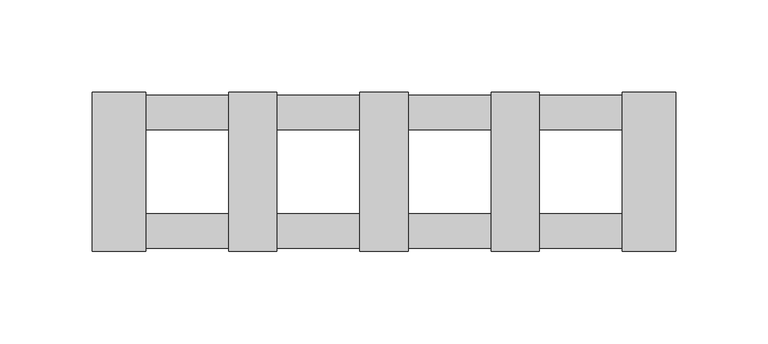
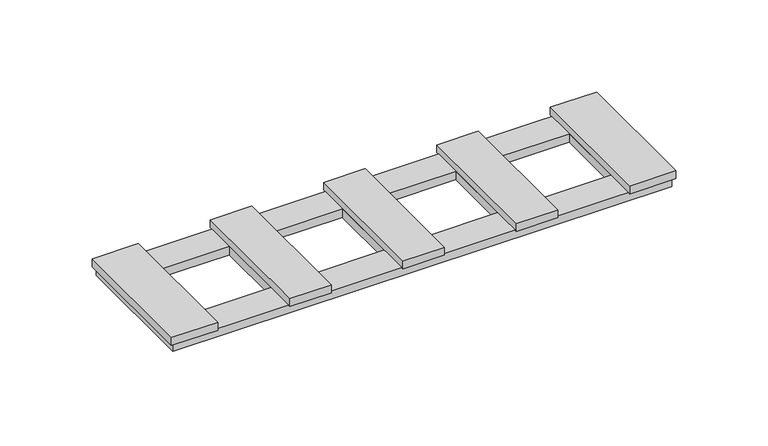
"""IFC4 building model written with IfcOpenShell, lengths in millimetres: proxy geometry."""

from ifc_helpers import new_model, si_unit, frame, origin, origin_with_axes, place, context, project, spatial, polyline, outline, extrude, source, transform, mapped, element, save


def electrical_fixtures_765df27b(model_context):
    return source(origin(), model_context, "Body", "SweptSolid", [
        extrude(outline(polyline([(156.2, 41.5), (156.2, -41.5), (-156.1718172, -41.5), (-156.1718172, 41.5), (156.2, 41.5)]), holes=[polyline([(-84.0, 22.5), (-129.0, 22.5), (-129.0, -22.5), (-84.0, -22.5), (-84.0, 22.5)]), polyline([(-58.0, 22.5), (-58.0, -22.5), (-13.0, -22.5), (-13.0, 22.5), (-58.0, 22.5)]), polyline([(13.0, 22.5), (13.0, -22.5), (58.0, -22.5), (58.0, 22.5), (13.0, 22.5)]), polyline([(84.0, 22.5), (84.0, -22.5), (129.0, -22.5), (129.0, 22.5), (84.0, 22.5)])]), origin_with_axes(), (0.0, 0.0, 1.0), 5.5),
        extrude(outline(polyline([(-157.9, -43.0), (-157.9, 43.0), (-129.0, 43.0), (-129.0, -43.0), (-157.9, -43.0)])), frame((0.0, 0.0, 5.5), z_axis=(0.0, 0.0, 1.0), x_axis=(1.0, 0.0, 0.0)), (0.0, 0.0, 1.0), 5.2),
        extrude(outline(polyline([(-84.0, -43.0), (-84.0, 43.0), (-58.0, 43.0), (-58.0, -43.0), (-84.0, -43.0)])), frame((0.0, 0.0, 5.5), z_axis=(0.0, 0.0, 1.0), x_axis=(1.0, 0.0, 0.0)), (0.0, 0.0, 1.0), 5.2),
        extrude(outline(polyline([(157.9, -43.0), (129.0, -43.0), (129.0, 43.0), (157.9, 43.0), (157.9, -43.0)])), frame((0.0, 0.0, 5.5), z_axis=(0.0, 0.0, 1.0), x_axis=(1.0, 0.0, 0.0)), (0.0, 0.0, 1.0), 5.2),
        extrude(outline(polyline([(-13.0, -43.0), (-13.0, 43.0), (13.0, 43.0), (13.0, -43.0), (-13.0, -43.0)])), frame((0.0, 0.0, 5.5), z_axis=(0.0, 0.0, 1.0), x_axis=(1.0, 0.0, 0.0)), (0.0, 0.0, 1.0), 5.2),
        extrude(outline(polyline([(58.0, -43.0), (58.0, 43.0), (84.0, 43.0), (84.0, -43.0), (58.0, -43.0)])), frame((0.0, 0.0, 5.5), z_axis=(0.0, 0.0, 1.0), x_axis=(1.0, 0.0, 0.0)), (0.0, 0.0, 1.0), 5.2),
    ])


if __name__ == "__main__":
    model = new_model("IFC4")
    model_context = context("Model", 3, world=origin())
    ifc_project = project(units=[si_unit("LENGTHUNIT", "METRE", prefix="MILLI")], contexts=[model_context])
    site = spatial("IfcSite", under=ifc_project)
    building = spatial("IfcBuilding", under=site)
    placement = place(None, origin())
    electrical_fixtures_shape = electrical_fixtures_765df27b(model_context)
    element("IfcBuildingElementProxy", 1, Name="Electrical Fixtures", at=placement, inside=building, context=model_context, shape_type="MappedRepresentation", body=[
        mapped(electrical_fixtures_shape, transform((0.0, 0.0, 0.0), x_axis=(1.0, 0.0, 0.0), y_axis=(0.0, 1.0, 0.0), z_axis=(0.0, 0.0, 1.0))),
    ])
    save(model, "model.ifc")
